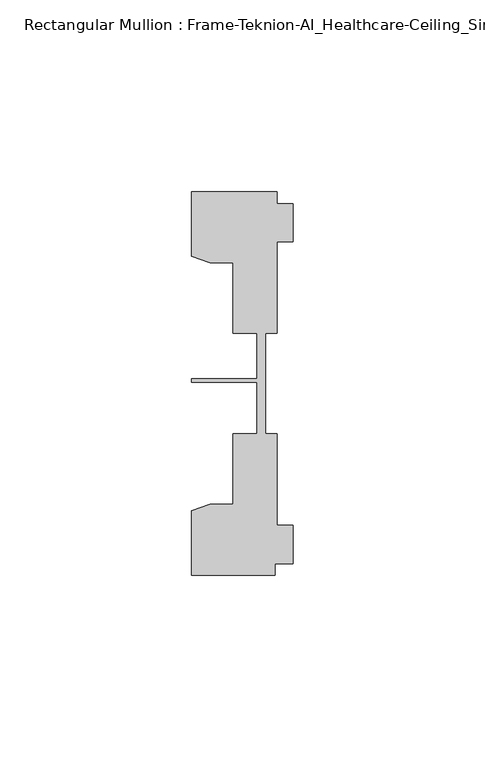
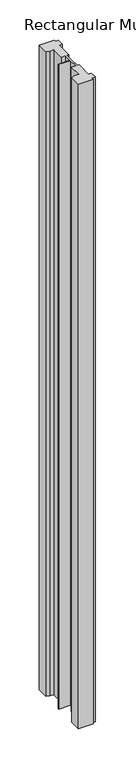
"""IFC4 building model written with IfcOpenShell, lengths in millimetres: member geometry, Rectangular Mullion : Frame-Teknion-AI_Healthcare-Ceiling_Single_Channel."""

from ifc_helpers import new_model, si_unit, frame, origin, place, context, project, spatial, polyline, outline, extrude, source, transform, mapped, element, save


def rectangular_mullion_frame_teknion_ai_healthcare_ceiling_178feb76(model_context):
    return source(origin(), model_context, "Body", "SweptSolid", [
        extrude(outline(polyline([(-26.4921999, -34.0201677), (-21.6625199, -32.2880982), (-15.6737764, -32.2880982), (-15.6737764, -13.9110722), (-9.4507761, -13.9110722), (-9.4507761, -0.4036528), (-26.4921999, -0.4036528), (-26.4921999, 0.4036528), (-9.4507761, 0.4036528), (-9.4507761, 12.2509301), (-15.6737764, 12.2509301), (-15.6737764, 30.6279561), (-21.6625199, 30.6279561), (-26.4921999, 32.3600207), (-26.4921999, 49.1699293), (-4.2672007, 49.1699293), (-4.2672007, 46.1219322), (0.0, 46.1219322), (0.0, 36.1219249), (-4.2672007, 36.1219249), (-4.2672007, 12.2509301), (-7.1647766, 12.2509301), (-7.1647766, -0.0814804), (-7.1647766, -13.9110722), (-4.2672007, -13.9110722), (-4.2672007, -37.7820716), (0.0, -37.7820716), (0.0, -47.782071), (-4.7752002, -47.782071), (-4.7752002, -50.8315128), (-26.4921999, -50.8315128), (-26.4921999, -34.0201677)])), frame((0.0, 0.0, -1003.3), z_axis=(0.0, 0.0, 1.0), x_axis=(1.0, 0.0, 0.0)), (0.0, 0.0, 1.0), 1003.3),
    ])


if __name__ == "__main__":
    model = new_model("IFC4")
    model_context = context("Model", 3, world=origin())
    ifc_project = project(units=[si_unit("LENGTHUNIT", "METRE", prefix="MILLI")], contexts=[model_context])
    site = spatial("IfcSite", under=ifc_project)
    building = spatial("IfcBuilding", under=site)
    placement = place(None, origin())
    rectangular_mullion_frame_teknion_ai_healthcare_ceiling_shape = rectangular_mullion_frame_teknion_ai_healthcare_ceiling_178feb76(model_context)
    element("IfcMember", 1, ObjectType="Rectangular Mullion : Frame-Teknion-AI_Healthcare-Ceiling_Single_Channel", at=placement, inside=building, context=model_context, shape_type="MappedRepresentation", body=[
        mapped(rectangular_mullion_frame_teknion_ai_healthcare_ceiling_shape, transform((0.0, 0.0, 0.0), x_axis=(1.0, 0.0, 0.0), y_axis=(0.0, 1.0, 0.0), z_axis=(0.0, 0.0, 1.0))),
    ])
    save(model, "model.ifc")
